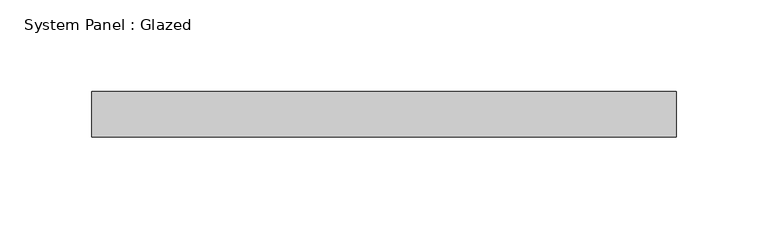
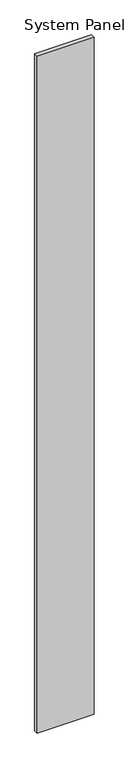
"""IFC4 building model written with IfcOpenShell, lengths in millimetres: plate geometry, System Panel : Glazed."""

from ifc_helpers import new_model, si_unit, origin, origin_with_axes, place, context, project, spatial, polyline, outline, extrude, source, transform, mapped, element, save


def system_panel_glazed_d5c2d62a(model_context):
    return source(origin(), model_context, "Body", "SweptSolid", [
        extrude(outline(polyline([(159.6986552, -49.5), (-159.6986552, -49.5), (-159.6986552, -24.5), (159.6986552, -24.5), (159.6986552, -49.5)])), origin_with_axes(), (0.0, 0.0, 1.0), 4015.0),
    ])


if __name__ == "__main__":
    model = new_model("IFC4")
    model_context = context("Model", 3, world=origin())
    ifc_project = project(units=[si_unit("LENGTHUNIT", "METRE", prefix="MILLI")], contexts=[model_context])
    site = spatial("IfcSite", under=ifc_project)
    building = spatial("IfcBuilding", under=site)
    placement = place(None, origin())
    system_panel_glazed_shape = system_panel_glazed_d5c2d62a(model_context)
    element("IfcPlate", 1, ObjectType="System Panel : Glazed", at=placement, inside=building, context=model_context, shape_type="MappedRepresentation", body=[
        mapped(system_panel_glazed_shape, transform((0.0, 0.0, 0.0), x_axis=(1.0, 0.0, 0.0), y_axis=(0.0, 1.0, 0.0), z_axis=(0.0, 0.0, 1.0))),
    ])
    save(model, "model.ifc")
